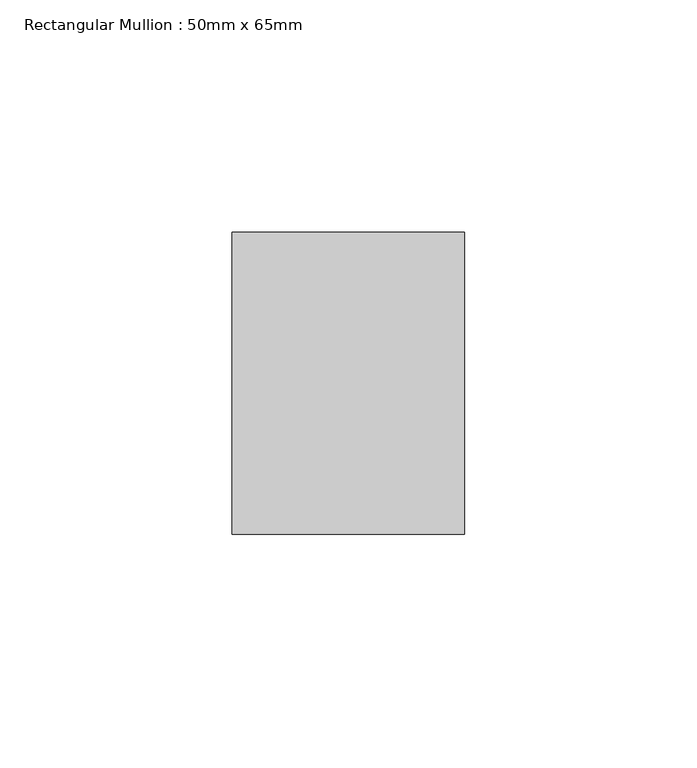
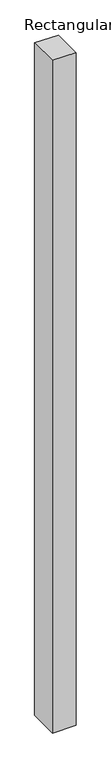
"""IFC4 building model written with IfcOpenShell, lengths in millimetres: member geometry, Rectangular Mullion : 50mm x 65mm."""

from ifc_helpers import new_model, si_unit, frame, origin, place, context, project, spatial, polyline, outline, extrude, source, transform, mapped, element, save


def rectangular_mullion_50mm_x_65mm_12a34b8e(model_context):
    return source(origin(), model_context, "Body", "SweptSolid", [
        extrude(outline(polyline([(-32.5, 0.2027375), (32.5, -0.2027373), (32.5, -1499.8924203), (-32.5, -1500.1070798), (-32.5, 0.2027375)])), frame((-25.0, 0.0, 0.0), z_axis=(1.0, 0.0, 0.0), x_axis=(0.0, 1.0, 0.0)), (0.0, 0.0, 1.0), 50.0),
    ])


if __name__ == "__main__":
    model = new_model("IFC4")
    model_context = context("Model", 3, world=origin())
    ifc_project = project(units=[si_unit("LENGTHUNIT", "METRE", prefix="MILLI")], contexts=[model_context])
    site = spatial("IfcSite", under=ifc_project)
    building = spatial("IfcBuilding", under=site)
    placement = place(None, origin())
    rectangular_mullion_50mm_x_65mm_shape = rectangular_mullion_50mm_x_65mm_12a34b8e(model_context)
    element("IfcMember", 1, ObjectType="Rectangular Mullion : 50mm x 65mm", at=placement, inside=building, context=model_context, shape_type="MappedRepresentation", body=[
        mapped(rectangular_mullion_50mm_x_65mm_shape, transform((0.0, 0.0, 0.0), x_axis=(1.0, 0.0, 0.0), y_axis=(0.0, 1.0, 0.0), z_axis=(0.0, 0.0, 1.0))),
    ])
    save(model, "model.ifc")
